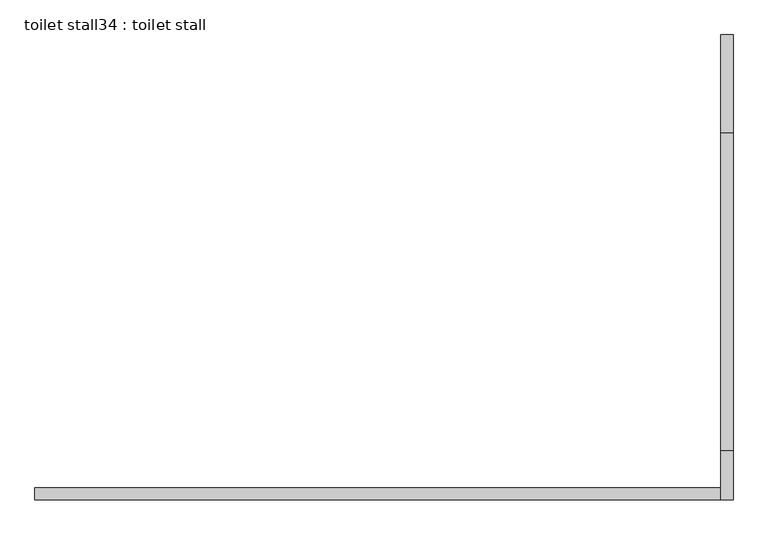
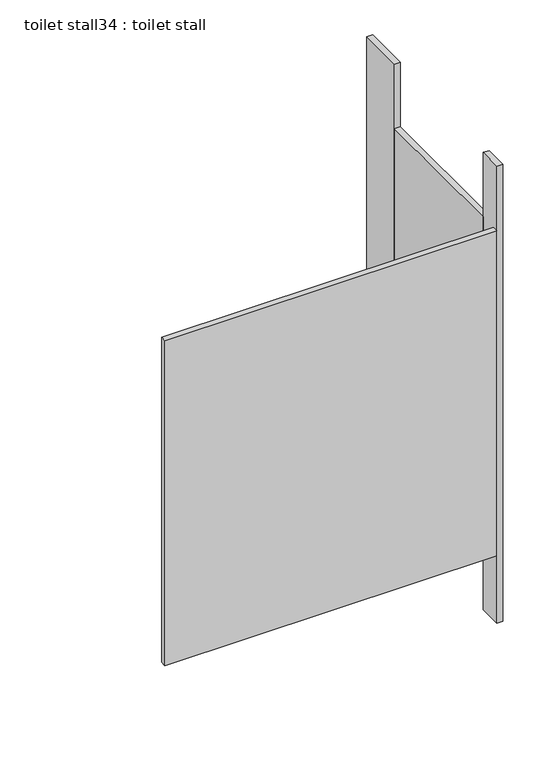
"""IFC4 building model written with IfcOpenShell, lengths in millimetres: proxy geometry, toilet stall34 : toilet stall."""

from ifc_helpers import new_model, si_unit, frame, origin, origin_with_axes, place, context, project, spatial, polyline, outline, extrude, source, transform, mapped, element, save


def toilet_stall34_toilet_stall_0460c638(model_context):
    return source(origin(), model_context, "Body", "SweptSolid", [
        extrude(outline(polyline([(458207.8504676, -346210.7455223), (458207.8504676, -346007.5455223), (458233.2504676, -346007.5455223), (458233.2504676, -346210.7455223), (458207.8504676, -346210.7455223)])), origin_with_axes(), (0.0, 0.0, 1.0), 2070.1),
        extrude(outline(polyline([(458207.8504676, -346972.7455223), (458207.8504676, -346871.1455223), (458233.2504676, -346871.1455223), (458233.2504676, -346972.7455223), (458207.8504676, -346972.7455223)])), origin_with_axes(), (0.0, 0.0, 1.0), 2070.1),
        extrude(outline(polyline([(458207.8504676, -346972.7455223), (456785.4504676, -346972.7455223), (456785.4504676, -346947.3455223), (458207.8504676, -346947.3455223), (458207.8504676, -346972.7455223)])), frame((0.0, 0.0, 304.8), z_axis=(0.0, 0.0, 1.0), x_axis=(1.0, 0.0, 0.0)), (0.0, 0.0, 1.0), 1473.2),
        extrude(outline(polyline([(458207.8504676, -346871.1455223), (458207.8504676, -346210.7455223), (458233.2504676, -346210.7455223), (458233.2504676, -346871.1455223), (458207.8504676, -346871.1455223)])), frame((0.0, 0.0, 304.8), z_axis=(0.0, 0.0, 1.0), x_axis=(1.0, 0.0, 0.0)), (0.0, 0.0, 1.0), 1473.2),
    ])


if __name__ == "__main__":
    model = new_model("IFC4")
    model_context = context("Model", 3, world=origin())
    ifc_project = project(units=[si_unit("LENGTHUNIT", "METRE", prefix="MILLI")], contexts=[model_context])
    site = spatial("IfcSite", under=ifc_project)
    building = spatial("IfcBuilding", under=site)
    placement = place(None, origin())
    toilet_stall34_toilet_stall_shape = toilet_stall34_toilet_stall_0460c638(model_context)
    element("IfcBuildingElementProxy", 1, Name="toilet stall34 : toilet stall", ObjectType="toilet stall34 : toilet stall", at=placement, inside=building, context=model_context, shape_type="MappedRepresentation", body=[
        mapped(toilet_stall34_toilet_stall_shape, transform((0.0, 0.0, 0.0), x_axis=(1.0, 0.0, 0.0), y_axis=(0.0, 1.0, 0.0), z_axis=(0.0, 0.0, 1.0))),
    ])
    save(model, "model.ifc")
